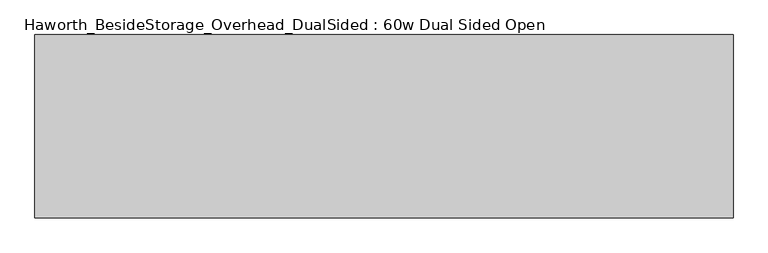
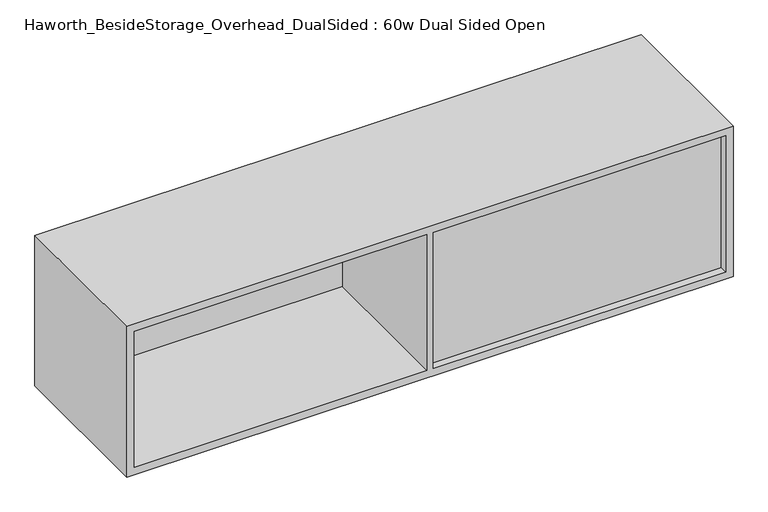
"""IFC4 building model written with IfcOpenShell, lengths in millimetres: furniture geometry, Haworth_BesideStorage_Overhead_DualSided : 60w Dual Sided Open."""

from ifc_helpers import new_model, si_unit, frame, origin, place, context, project, spatial, polyline, outline, extrude, source, transform, mapped, element, save


def haworth_besidestorage_overhead_dualsided_60w_dual_sided_open_e73821ee(model_context):
    return source(origin(), model_context, "Body", "SweptSolid", [
        extrude(outline(polyline([(-64.8684159, -371.475), (670.1440841, -371.475), (670.1440841, -384.175), (-64.8684159, -384.175), (-64.8684159, -371.475)])), frame((0.0, 0.0, 781.05), z_axis=(0.0, 0.0, 1.0), x_axis=(1.0, 0.0, 0.0)), (0.0, 0.0, 1.0), 361.95),
        extrude(outline(polyline([(-815.7559159, -22.225), (-80.7434159, -22.225), (-80.7434159, -34.925), (-815.7559159, -34.925), (-815.7559159, -22.225)])), frame((0.0, 0.0, 781.05), z_axis=(0.0, 0.0, 1.0), x_axis=(1.0, 0.0, 0.0)), (0.0, 0.0, 1.0), 361.95),
        extrude(outline(polyline([(762.0, 689.1940841), (1162.05, 689.1940841), (1162.05, -834.8059159), (762.0, -834.8059159), (762.0, 689.1940841)]), holes=[polyline([(1143.0, -80.7434159), (781.05, -80.7434159), (781.05, -815.7559159), (1143.0, -815.7559159), (1143.0, -80.7434159)]), polyline([(781.05, 670.1440841), (781.05, -64.8684159), (1143.0, -64.8684159), (1143.0, 670.1440841), (781.05, 670.1440841)])]), frame((0.0, -403.225, 0.0), z_axis=(0.0, 1.0, 0.0), x_axis=(0.0, 0.0, 1.0)), (0.0, 0.0, 1.0), 400.05),
    ])


if __name__ == "__main__":
    model = new_model("IFC4")
    model_context = context("Model", 3, world=origin())
    ifc_project = project(units=[si_unit("LENGTHUNIT", "METRE", prefix="MILLI")], contexts=[model_context])
    site = spatial("IfcSite", under=ifc_project)
    building = spatial("IfcBuilding", under=site)
    placement = place(None, origin())
    haworth_besidestorage_overhead_dualsided_60w_dual_sided_open_shape = haworth_besidestorage_overhead_dualsided_60w_dual_sided_open_e73821ee(model_context)
    element("IfcFurniture", 1, ObjectType="Haworth_BesideStorage_Overhead_DualSided : 60w Dual Sided Open", at=placement, inside=building, context=model_context, shape_type="MappedRepresentation", body=[
        mapped(haworth_besidestorage_overhead_dualsided_60w_dual_sided_open_shape, transform((0.0, 0.0, 0.0), x_axis=(1.0, 0.0, 0.0), y_axis=(0.0, 1.0, 0.0), z_axis=(0.0, 0.0, 1.0))),
    ])
    save(model, "model.ifc")
